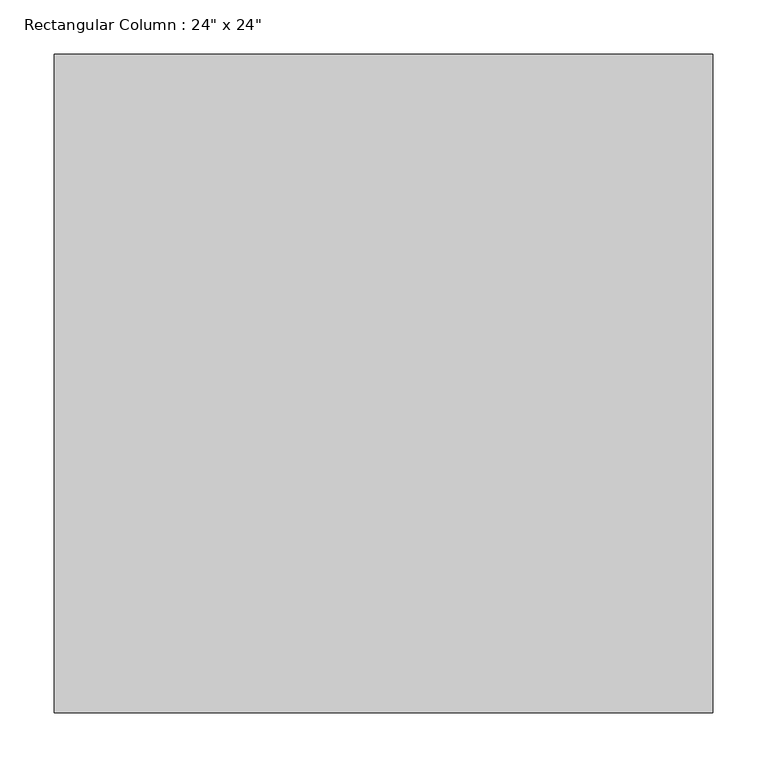
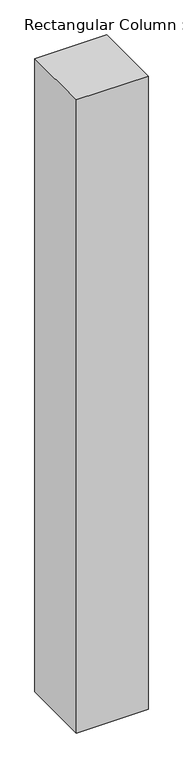
"""IFC4 building model written with IfcOpenShell, lengths in millimetres: column geometry."""

import ifcopenshell
import ifcopenshell.guid

model = None  # the IFC model being written
_history = None  # IfcOwnerHistory: only IFC2X3 demands one
_inside = {}  # id of a spatial element -> (the spatial element, [elements in it])
_under = {}  # id of a project, library or spatial element -> (it, [spatial elements below it])
_declared = {}  # id of a project -> (the project, [libraries it declares])
_typed = {}  # id of a type object -> (the type object, [elements of that type])
_made_of = {}  # id of a material, layer set ... -> (it, [elements and type objects made of it])


def new_model(schema):
    """Start an empty IFC model of exactly this schema.

    Asked for "IFC4X3", IfcOpenShell would pick the latest addendum, in which some entities
    have other attributes; the version numbers below select the first issue.
    IFC2X3 requires an IfcOwnerHistory on every rooted entity: one is made here for all.
    """
    global model, _history
    if schema == "IFC4X3":
        model = ifcopenshell.file(schema_version=(4, 3, 0, 0))
    else:
        model = ifcopenshell.file(schema=schema)
    _inside.clear()
    _under.clear()
    _declared.clear()
    _typed.clear()
    _made_of.clear()
    _history = None
    if model.schema == "IFC2X3":
        org = make("IfcOrganization", Name="unknown")
        user = make(
            "IfcPersonAndOrganization",
            ThePerson=make("IfcPerson", FamilyName="unknown"),
            TheOrganization=org,
        )
        app = make(
            "IfcApplication",
            ApplicationDeveloper=org,
            Version="unknown",
            ApplicationFullName="unknown",
            ApplicationIdentifier="unknown",
        )
        _history = make(
            "IfcOwnerHistory",
            OwningUser=user,
            OwningApplication=app,
            ChangeAction="ADDED",
            CreationDate=0,
        )
    return model


def make(cls, **values):
    """One entity of the class cls with the attributes given. An attribute that is None is left unset."""
    return model.create_entity(
        cls, **{name: value for name, value in values.items() if value is not None}
    )


def rooted(cls, **values):
    """An entity with a GlobalId (a new one), such as an element, a storey or a relation."""
    return make(cls, GlobalId=ifcopenshell.guid.new(), OwnerHistory=_history, **values)


def si_unit(unit_type, name, prefix=None):
    """IfcSIUnit, for example si_unit("LENGTHUNIT", "METRE", prefix="MILLI")."""
    return make("IfcSIUnit", UnitType=unit_type, Prefix=prefix, Name=name)


def assignment(units):
    """IfcUnitAssignment: the units of a project."""
    return None if units is None else make("IfcUnitAssignment", Units=units)


def point(xyz):
    """IfcCartesianPoint."""
    return None if xyz is None else make("IfcCartesianPoint", Coordinates=xyz)


def direction(xyz):
    """IfcDirection."""
    return None if xyz is None else make("IfcDirection", DirectionRatios=xyz)


def frame(location, z_axis=None, x_axis=None):
    """IfcAxis2Placement3D, a coordinate frame: its origin and axes. An axis left out is left unset."""
    return make(
        "IfcAxis2Placement3D",
        Location=point(location),
        Axis=direction(z_axis),
        RefDirection=direction(x_axis),
    )


def origin():
    """The frame at (0, 0, 0) with its axes left unset."""
    return frame((0.0, 0.0, 0.0))


def place(relative_to, where):
    """IfcLocalPlacement: puts the frame where relative to a parent placement (None: the world)."""
    return make(
        "IfcLocalPlacement", PlacementRelTo=relative_to, RelativePlacement=where
    )


def context(
    kind, dimensions, precision=None, world=None, true_north=None, identifier=None
):
    """IfcGeometricRepresentationContext, for example the 3D "Model" context."""
    return make(
        "IfcGeometricRepresentationContext",
        ContextIdentifier=identifier,
        ContextType=kind,
        CoordinateSpaceDimension=dimensions,
        Precision=precision,
        WorldCoordinateSystem=world,
        TrueNorth=true_north,
    )


def project(units=None, contexts=None):
    """IfcProject with its units and contexts."""
    return rooted(
        "IfcProject",
        Name="project",
        RepresentationContexts=contexts,
        UnitsInContext=assignment(units),
    )


def spatial(cls, under=None, at=None, **own):
    """A site, building, storey or space (cls), placed at a placement, below another one or the project."""
    s = rooted(cls, ObjectPlacement=at, **own)
    if under is not None:
        _under.setdefault(under.id(), (under, []))[1].append(s)
    return s


def polyline(points):
    """IfcPolyline through the points."""
    return make("IfcPolyline", Points=[point(p) for p in points])


def outline(outer, holes=None, kind="AREA"):
    """IfcArbitraryClosedProfileDef: a profile drawn as a closed curve; with holes, ...WithVoids."""
    if holes is None:
        return make("IfcArbitraryClosedProfileDef", ProfileType=kind, OuterCurve=outer)
    return make(
        "IfcArbitraryProfileDefWithVoids",
        ProfileType=kind,
        OuterCurve=outer,
        InnerCurves=holes,
    )


def extrude(swept, where, along, depth):
    """IfcExtrudedAreaSolid: the profile swept, set in the frame where, extruded along a direction by depth."""
    return make(
        "IfcExtrudedAreaSolid",
        SweptArea=swept,
        Position=where,
        ExtrudedDirection=direction(along),
        Depth=depth,
    )


def shape(context_of_items, identifier, shape_type, items):
    """IfcShapeRepresentation: the items that make up one representation, for example the "Body"."""
    return make(
        "IfcShapeRepresentation",
        ContextOfItems=context_of_items,
        RepresentationIdentifier=identifier,
        RepresentationType=shape_type,
        Items=items,
    )


def source(mapping_origin, context_of_items, identifier, shape_type, items):
    """IfcRepresentationMap: a shape defined once, which mapped items show again and again."""
    return make(
        "IfcRepresentationMap",
        MappingOrigin=mapping_origin,
        MappedRepresentation=shape(context_of_items, identifier, shape_type, items),
    )


def transform(
    local_origin,
    x_axis=None,
    y_axis=None,
    z_axis=None,
    scale=None,
    scale2=None,
    scale3=None,
    uniform=True,
):
    """IfcCartesianTransformationOperator3D, or its non-uniform kind. x_axis, y_axis, z_axis: its Axis1, 2, 3."""
    if uniform:
        return make(
            "IfcCartesianTransformationOperator3D",
            Axis1=direction(x_axis),
            Axis2=direction(y_axis),
            LocalOrigin=point(local_origin),
            Scale=scale,
            Axis3=direction(z_axis),
        )
    return make(
        "IfcCartesianTransformationOperator3DnonUniform",
        Axis1=direction(x_axis),
        Axis2=direction(y_axis),
        LocalOrigin=point(local_origin),
        Scale=scale,
        Axis3=direction(z_axis),
        Scale2=scale2,
        Scale3=scale3,
    )


def mapped(mapping_source, mapping_target):
    """IfcMappedItem: shows the shape of a source again, moved by a transform."""
    return make(
        "IfcMappedItem", MappingSource=mapping_source, MappingTarget=mapping_target
    )


def made_of(thing, what):
    """Note that an element or type object is made of a material, layer set ...; save() writes the relation."""
    if what is not None:
        _made_of.setdefault(what.id(), (what, []))[1].append(thing)
    return thing


def element(
    cls,
    number,
    at=None,
    inside=None,
    cuts=None,
    type_object=None,
    material=None,
    context=None,
    identifier="Body",
    shape_type=None,
    held_by="IfcProductDefinitionShape",
    body=None,
    shapes=None,
    **own,
):
    """One element of the class cls, such as IfcWall. Its Tag is "e" and its number.

    at: its placement. inside: the storey or other place that contains it. cuts: it is an
    opening in that element (IfcRelVoidsElement). A single representation is given by context,
    identifier, shape_type and body (its items); several are given by shapes. held_by: the class
    of the entity that holds the representations. save() writes the other relations.
    """
    e = rooted(cls, Tag="e%d" % number, ObjectPlacement=at, **own)
    if body is not None:
        shapes = [shape(context, identifier, shape_type, body)]
    if shapes is not None:
        e.Representation = make(held_by, Representations=shapes)
    if inside is not None:
        _inside.setdefault(inside.id(), (inside, []))[1].append(e)
    if cuts is not None:
        rooted(
            "IfcRelVoidsElement", RelatingBuildingElement=cuts, RelatedOpeningElement=e
        )
    if type_object is not None:
        _typed.setdefault(type_object.id(), (type_object, []))[1].append(e)
    return made_of(e, material)


def aggregate(whole, parts):
    """IfcRelAggregates: a whole, such as a stair, and the parts it consists of."""
    return rooted("IfcRelAggregates", RelatingObject=whole, RelatedObjects=parts)


def save(model, path):
    """Write the relations noted so far, then the file.

    IfcRelAggregates (storeys below a building ...), IfcRelContainedInSpatialStructure (elements
    in a storey), IfcRelDefinesByType, IfcRelAssociatesMaterial and IfcRelDeclares: one each for
    every whole, place, type object, material and project.
    """
    for whole, parts in _under.values():
        aggregate(whole, parts)
    for where, things in _inside.values():
        rooted(
            "IfcRelContainedInSpatialStructure",
            RelatedElements=things,
            RelatingStructure=where,
        )
    for kind, things in _typed.values():
        rooted("IfcRelDefinesByType", RelatedObjects=things, RelatingType=kind)
    for what, things in _made_of.values():
        rooted("IfcRelAssociatesMaterial", RelatedObjects=things, RelatingMaterial=what)
    for by, libraries in _declared.values():
        rooted("IfcRelDeclares", RelatingContext=by, RelatedDefinitions=libraries)
    model.write(path)


def column_762536ef(model_context):
    return source(origin(), model_context, "Body", "SweptSolid", [
        extrude(outline(polyline([(304.8, 304.8), (304.8, -304.8), (-304.8, -304.8), (-304.8, 304.8), (304.8, 304.8)])), frame((0.0, 0.0, 168706.8), z_axis=(0.0, 0.0, 1.0), x_axis=(1.0, 0.0, 0.0)), (0.0, 0.0, 1.0), 5689.6),
    ])


if __name__ == "__main__":
    model = new_model("IFC4")
    model_context = context("Model", 3, world=origin())
    ifc_project = project(units=[si_unit("LENGTHUNIT", "METRE", prefix="MILLI")], contexts=[model_context])
    site = spatial("IfcSite", under=ifc_project)
    building = spatial("IfcBuilding", under=site)
    placement = place(None, origin())
    column_shape = column_762536ef(model_context)
    element("IfcColumn", 1, ObjectType="Rectangular Column : 24\" x 24\"", at=placement, inside=building, context=model_context, shape_type="MappedRepresentation", body=[
        mapped(column_shape, transform((0.0, 0.0, 0.0), x_axis=(1.0, 0.0, 0.0), y_axis=(0.0, 1.0, 0.0), z_axis=(0.0, 0.0, 1.0))),
    ])
    save(model, "model.ifc")
